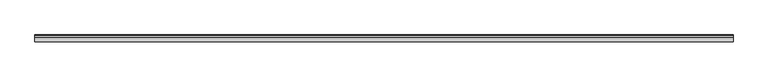
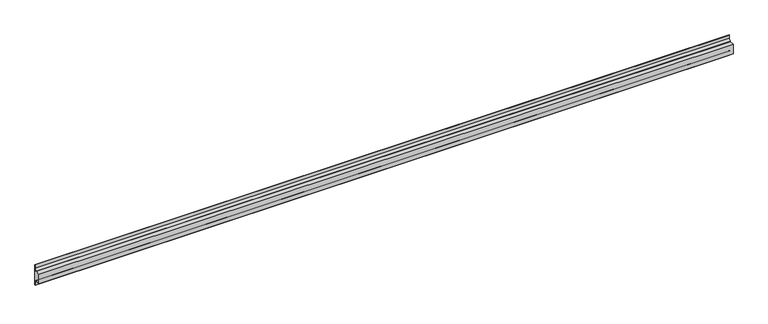
"""IFC4 building model written with IfcOpenShell, lengths in millimetres: proxy geometry."""

from ifc_helpers import new_model, si_unit, point, frame, frame_2d, origin, place, context, project, spatial, polyline, circle_curve, trimmed, segment, composite_curve, outline, extrude, source, transform, mapped, element, save
from ifc_brep_helpers import plane_surface, revolved_surface, advanced_brep


def generic_models_bb5803c2(model_context):
    return source(origin(), model_context, "Body", "SolidModel", [
        advanced_brep(
        [(1587.3395579, -36799.3674942, 1468.0432777), (1587.3395579, -36799.3674942, 1502.4818394), (1587.3395579, -36783.5331166, 1502.4818394), (1587.3395579, -36775.7089431, 1510.3060129), (1587.3395579, -36775.7077319, 1460.2191042), (1587.3395579, -36783.5331166, 1468.0432777), (3987.3395579, -36799.3674942, 1468.0432777), (3987.3395579, -36783.5331166, 1468.0432777), (3987.3395579, -36775.7089431, 1460.2191042), (3987.3395579, -36775.7077319, 1510.3060129), (3987.3395579, -36783.5331166, 1502.4818394), (3987.3395579, -36799.3674942, 1502.4818394)],
        [
            (0, 1),
            (1, 2),
            (2, 3, circle_curve(frame((1587.3395579, -36783.5331166, 1510.3060129), z_axis=(1.0, 0.0, 0.0), x_axis=(0.0, 1.0, 0.0)), 7.8241735)),
            (3, 4),
            (4, 5, circle_curve(frame((1587.3395579, -36783.5331166, 1460.2191042), z_axis=(1.0, 0.0, 0.0), x_axis=(0.0, 1.0, 0.0)), 7.8241735)),
            (5, 0),
            (6, 7),
            (7, 8, circle_curve(frame((3987.3395579, -36783.5331166, 1460.2191042), z_axis=(-1.0, 0.0, 0.0), x_axis=(0.0, 1.0, 0.0)), 7.8241735)),
            (8, 9),
            (9, 10, circle_curve(frame((3987.3395579, -36783.5331166, 1510.3060129), z_axis=(-1.0, 0.0, 0.0), x_axis=(0.0, 1.0, 0.0)), 7.8241735)),
            (10, 11),
            (11, 6),
            (0, 6),
            (11, 1),
            (5, 7),
            (4, 8),
            (2, 10),
            (9, 3),
        ],
        [
            plane_surface(frame((1587.3395579, -36825.7077319, -207.087078), z_axis=(-1.0, 0.0, 0.0), x_axis=(0.0, 0.0, 1.0))),
            plane_surface(frame((3987.3395579, -36825.7077319, -207.087078), z_axis=(1.0, 0.0, 0.0), x_axis=(0.0, 0.0, 1.0))),
            plane_surface(frame((1587.3395579, -36799.3674942, 1468.0432777), z_axis=(0.0, -1.0, 0.0), x_axis=(1.0, 0.0, 0.0))),
            plane_surface(frame((1587.3395579, -36783.5331166, 1468.0432777), z_axis=(0.0, 0.0, -1.0), x_axis=(1.0, 0.0, 0.0))),
            revolved_surface(polyline([(3987.3395579, -36775.708943100006, 1460.2191042), (1587.3395579, -36775.708943100006, 1460.2191042)]), (1587.3395579, -36783.5331166, 1460.2191042), (1.0, 0.0, 0.0)),
            revolved_surface(polyline([(3987.3395579, -36775.708943100006, 1510.3060129), (1587.3395579, -36775.708943100006, 1510.3060129)]), (1587.3395579, -36783.5331166, 1510.3060129), (1.0, 0.0, 0.0)),
            plane_surface(frame((1587.3395579, -36799.3674942, 1502.4818394), z_axis=(0.0, 0.0, 1.0), x_axis=(1.0, 0.0, 0.0))),
            plane_surface(frame((1587.3395579, -36775.7077319, 1510.3060129), z_axis=(0.0, 1.0, 0.0), x_axis=(1.0, 0.0, 0.0))),
        ],
        [
            (0, [[1, 2, 3, 4, 5, 6]]),
            (1, [[7, 8, 9, 10, 11, 12]]),
            (2, [[-1, 13, -12, 14]]),
            (3, [[-6, 15, -7, -13]]),
            (4, [[-5, 16, -8, -15]]),
            (5, [[-3, 17, -10, 18]]),
            (6, [[-2, -14, -11, -17]]),
            (7, [[-4, -18, -9, -16]]),
        ],
    ),
        extrude(outline(composite_curve([segment(trimmed(circle_curve(frame_2d((-36783.5331166, 1510.307224)), 7.8253847), [point((-36775.7077319, 1510.307224))], [point((-36783.5331166, 1502.4818394))], False, "CARTESIAN"), True, "CONTINUOUS"), segment(polyline([(-36783.5331166, 1502.4818394), (-36783.5331166, 1503.4818394)]), True, "CONTINUOUS"), segment(trimmed(circle_curve(frame_2d((-36783.5331166, 1510.307224)), 6.8253847), [point((-36783.5331166, 1503.4818394))], [point((-36776.7077319, 1510.307224))], True, "CARTESIAN"), True, "CONTINUOUS"), segment(polyline([(-36776.7077319, 1510.307224), (-36776.7077319, 1522.0355396), (-36775.7077319, 1522.0355396), (-36775.7077319, 1510.307224)]), True, "CONTINUOUS")], self_intersect=False)), frame((1587.3395579, 0.0, 0.0), z_axis=(1.0, 0.0, 0.0), x_axis=(0.0, 1.0, 0.0)), (0.0, 0.0, 1.0), 2400.0),
        extrude(outline(composite_curve([segment(polyline([(-36775.7077319, 1460.217893), (-36775.7077319, 1448.4895774), (-36776.7077319, 1448.4895774), (-36776.7077319, 1460.217893)]), True, "CONTINUOUS"), segment(trimmed(circle_curve(frame_2d((-36783.5331166, 1460.217893)), 6.8253847), [point((-36776.7077319, 1460.217893))], [point((-36783.5331166, 1467.0432777))], True, "CARTESIAN"), True, "CONTINUOUS"), segment(polyline([(-36783.5331166, 1467.0432777), (-36783.5331166, 1468.0432777)]), True, "CONTINUOUS"), segment(trimmed(circle_curve(frame_2d((-36783.5331166, 1460.217893)), 7.8253847), [point((-36783.5331166, 1468.0432777))], [point((-36775.7077319, 1460.217893))], False, "CARTESIAN"), True, "CONTINUOUS")], self_intersect=False)), frame((1587.3395579, 0.0, 0.0), z_axis=(1.0, 0.0, 0.0), x_axis=(0.0, 1.0, 0.0)), (0.0, 0.0, 1.0), 2400.0),
    ])


if __name__ == "__main__":
    model = new_model("IFC4")
    model_context = context("Model", 3, world=origin())
    ifc_project = project(units=[si_unit("LENGTHUNIT", "METRE", prefix="MILLI")], contexts=[model_context])
    site = spatial("IfcSite", under=ifc_project)
    building = spatial("IfcBuilding", under=site)
    placement = place(None, origin())
    generic_models_shape = generic_models_bb5803c2(model_context)
    element("IfcBuildingElementProxy", 1, Name="Generic Models", at=placement, inside=building, context=model_context, shape_type="MappedRepresentation", body=[
        mapped(generic_models_shape, transform((0.0, 0.0, 0.0), x_axis=(1.0, 0.0, 0.0), y_axis=(0.0, 1.0, 0.0), z_axis=(0.0, 0.0, 1.0))),
    ])
    save(model, "model.ifc")
